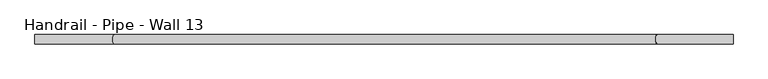
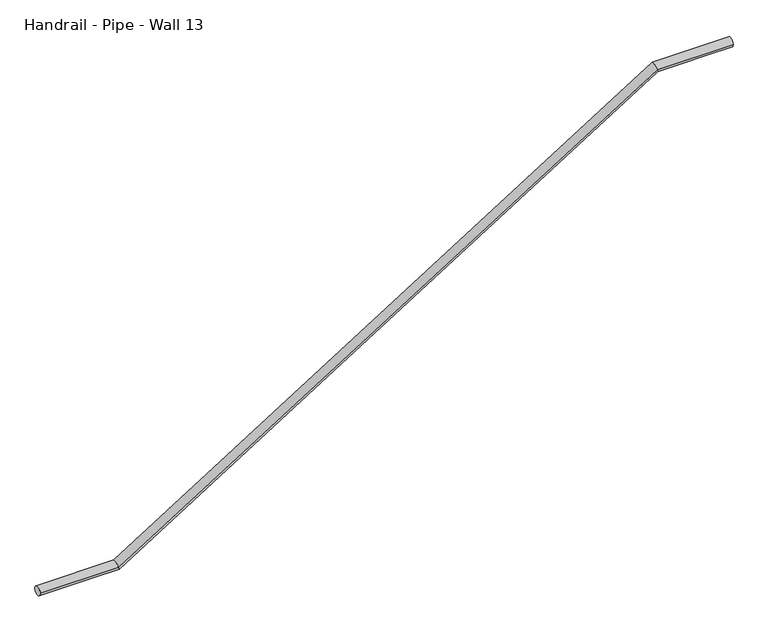
"""IFC4 building model written with IfcOpenShell, lengths in millimetres: railing geometry, Handrail - Pipe - Wall 13."""

from ifc_helpers import new_model, si_unit, frame, origin, place, context, project, spatial, circle_curve, ellipse_curve, source, transform, mapped, element, save
from ifc_brep_helpers import plane_surface, cylinder_surface, advanced_brep


def handrail_pipe_wall_13_98c3eed8(model_context):
    return source(origin(), model_context, "Body", "AdvancedBrep", [
        advanced_brep(
        [(-22098.7760553, 25809.8789928, -10347.325), (-22098.7760553, 25847.9789928, -10347.325), (-24948.0523684, 25809.8789928, -11737.975), (-24948.0523684, 25847.9789928, -11737.975), (-22409.2059185, 25809.8789928, -10347.325), (-22409.2059185, 25847.9789928, -10347.325), (-24625.0697316, 25809.8789928, -11737.975), (-24625.0697316, 25847.9789928, -11737.975)],
        [
            (0, 1, circle_curve(frame((-22098.7760553, 25828.9289928, -10347.325), z_axis=(1.0, 0.0, 0.0), x_axis=(0.0, 1.0, 0.0)), 19.05)),
            (1, 0, circle_curve(frame((-22098.7760553, 25828.9289928, -10347.325), z_axis=(1.0, 0.0, 0.0), x_axis=(0.0, 1.0, 0.0)), 19.05)),
            (2, 3, circle_curve(frame((-24948.0523684, 25828.9289928, -11737.975), z_axis=(-1.0, 0.0, 0.0), x_axis=(0.0, 1.0, 0.0)), 19.05)),
            (3, 2, circle_curve(frame((-24948.0523684, 25828.9289928, -11737.975), z_axis=(-1.0, 0.0, 0.0), x_axis=(0.0, 1.0, 0.0)), 19.05)),
            (0, 4),
            (4, 5, ellipse_curve(frame((-22409.2059185, 25828.9289928, -10347.325), z_axis=(0.9609920814638117, 0.0, 0.27657588355431645), x_axis=(0.27657588355431645, 0.0, -0.9609920814638115)), 19.8232643, 19.05)),
            (5, 1),
            (5, 4, ellipse_curve(frame((-22409.2059185, 25828.9289928, -10347.325), z_axis=(0.9609920814638117, 0.0, 0.27657588355431645), x_axis=(0.27657588355431645, 0.0, -0.9609920814638115)), 19.8232643, 19.05)),
            (4, 6),
            (6, 7, ellipse_curve(frame((-24625.0697316, 25828.9289928, -11737.975), z_axis=(0.9609920814638117, 0.0, 0.2765758835543165), x_axis=(-0.2765758835543165, 0.0, 0.9609920814638115)), 19.8232643, 19.05)),
            (7, 5),
            (7, 6, ellipse_curve(frame((-24625.0697316, 25828.9289928, -11737.975), z_axis=(0.9609920814638117, 0.0, 0.2765758835543165), x_axis=(-0.2765758835543165, 0.0, 0.9609920814638115)), 19.8232643, 19.05)),
            (6, 2),
            (3, 7),
        ],
        [
            plane_surface(frame((-22098.7760553, 25828.9289928, -10328.275), z_axis=(1.0, 0.0, 0.0), x_axis=(0.0, -1.0, 0.0))),
            plane_surface(frame((-24948.0523684, 25828.9289928, -11718.925), z_axis=(-1.0, 0.0, 0.0), x_axis=(0.0, -1.0, 0.0))),
            cylinder_surface(frame((-22098.7760553, 25828.9289928, -10347.325), z_axis=(1.0, 0.0, 0.0), x_axis=(0.0, 1.0, 0.0)), 19.05),
            cylinder_surface(frame((-22404.5620617, 25828.9289928, -10344.4105702), z_axis=(0.8470115612722984, 0.0, 0.5315744680391107), x_axis=(0.0, 1.0, 0.0)), 19.05),
            cylinder_surface(frame((-24630.5523684, 25828.9289928, -11737.975), z_axis=(1.0, 0.0, 0.0), x_axis=(0.0, 1.0, 0.0)), 19.05),
        ],
        [
            (0, [[1, 2]]),
            (1, [[3, 4]]),
            (2, [[-1, 5, 6, 7]]),
            (2, [[-2, -7, 8, -5]]),
            (3, [[-6, 9, 10, 11]]),
            (3, [[-8, -11, 12, -9]]),
            (4, [[-10, 13, -4, 14]]),
            (4, [[-12, -14, -3, -13]]),
        ],
    ),
    ])


if __name__ == "__main__":
    model = new_model("IFC4")
    model_context = context("Model", 3, world=origin())
    ifc_project = project(units=[si_unit("LENGTHUNIT", "METRE", prefix="MILLI")], contexts=[model_context])
    site = spatial("IfcSite", under=ifc_project)
    building = spatial("IfcBuilding", under=site)
    placement = place(None, origin())
    handrail_pipe_wall_13_shape = handrail_pipe_wall_13_98c3eed8(model_context)
    element("IfcRailing", 1, ObjectType="Handrail - Pipe - Wall 13", at=placement, inside=building, context=model_context, shape_type="MappedRepresentation", body=[
        mapped(handrail_pipe_wall_13_shape, transform((0.0, 0.0, 0.0), x_axis=(1.0, 0.0, 0.0), y_axis=(0.0, 1.0, 0.0), z_axis=(0.0, 0.0, 1.0))),
    ])
    save(model, "model.ifc")
